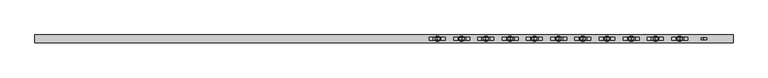
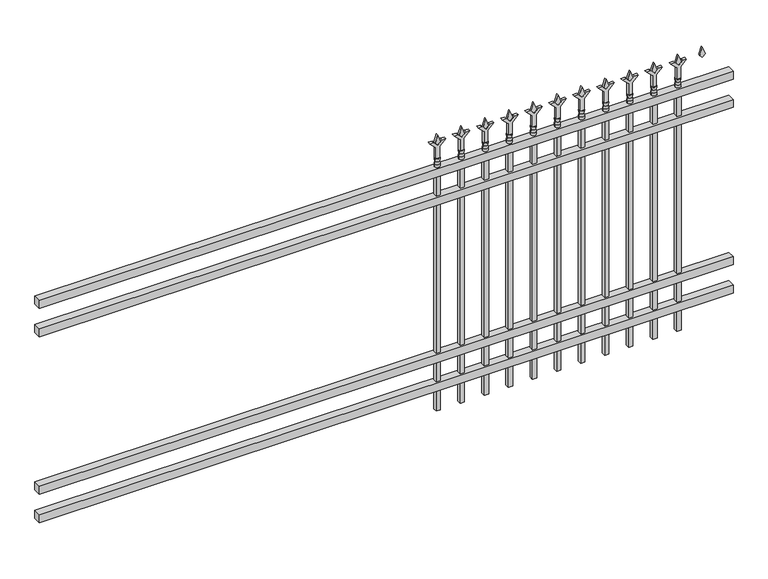
"""IFC4 building model written with IfcOpenShell, lengths in millimetres: railing geometry."""

from ifc_helpers import new_model, si_unit, frame, origin, place, context, project, spatial, polyline, circle_curve, outline, extrude, source, transform, mapped, element, save
from ifc_brep_helpers import plane_surface, cylinder_surface, revolved_surface, advanced_brep


def railing_fa873ef2(model_context):
    return source(origin(), model_context, "Body", "SolidModel", [
        extrude(outline(polyline([(-73537.318087, -6748.7195174), (-73537.318087, -6713.7945174), (-70387.718087, -6713.7945174), (-70387.718087, -6748.7195174), (-73537.318087, -6748.7195174)])), frame((0.0, 0.0, 1181.1), z_axis=(0.0, 0.0, 1.0), x_axis=(1.0, 0.0, 0.0)), (0.0, 0.0, 1.0), 38.1),
        extrude(outline(polyline([(-73537.318087, -6748.7195174), (-73537.318087, -6713.7945174), (-70387.718087, -6713.7945174), (-70387.718087, -6748.7195174), (-73537.318087, -6748.7195174)])), frame((0.0, 0.0, 1044.575), z_axis=(0.0, 0.0, 1.0), x_axis=(1.0, 0.0, 0.0)), (0.0, 0.0, 1.0), 38.1),
        extrude(outline(polyline([(-73537.318087, -6748.7195174), (-73537.318087, -6713.7945174), (-70387.718087, -6713.7945174), (-70387.718087, -6748.7195174), (-73537.318087, -6748.7195174)])), frame((0.0, 0.0, 288.925), z_axis=(0.0, 0.0, 1.0), x_axis=(1.0, 0.0, 0.0)), (0.0, 0.0, 1.0), 38.1),
        extrude(outline(polyline([(-73537.318087, -6748.7195174), (-73537.318087, -6713.7945174), (-70387.718087, -6713.7945174), (-70387.718087, -6748.7195174), (-73537.318087, -6748.7195174)])), frame((0.0, 0.0, 152.4), z_axis=(0.0, 0.0, 1.0), x_axis=(1.0, 0.0, 0.0)), (0.0, 0.0, 1.0), 38.1),
        extrude(outline(polyline([(1335.88125, -70616.8472536), (1371.6, -70628.7535036), (1335.88125, -70640.6597536), (1323.975, -70628.7535036), (1335.88125, -70616.8472536)])), frame((0.0, -6736.0195174, 0.0), z_axis=(0.0, 1.0, 0.0), x_axis=(0.0, 0.0, 1.0)), (0.0, 0.0, 1.0), 9.525),
        extrude(outline(polyline([(1260.475, -70620.0222536), (1314.7457378, -70620.0222536), (1341.9355122, -70592.8324791), (1341.9355122, -70610.7929914), (1323.975, -70628.7535036), (1341.9355122, -70646.7140159), (1341.9355122, -70664.6745281), (1314.7457378, -70637.4847536), (1260.475, -70637.4847536), (1260.475, -70620.0222536)])), frame((0.0, -6737.6070174, 0.0), z_axis=(0.0, 1.0, 0.0), x_axis=(0.0, 0.0, 1.0)), (0.0, 0.0, 1.0), 12.7),
        advanced_brep(
        [(-70616.8472536, -6731.2570174, 1231.9), (-70640.6597536, -6731.2570174, 1231.9), (-70640.6597536, -6731.2570174, 1219.2), (-70616.8472536, -6731.2570174, 1219.2), (-70619.0525855, -6731.2570174, 1244.4070585), (-70638.4544218, -6731.2570174, 1244.4070585), (-70616.8472536, -6731.2570174, 1260.475), (-70640.6597536, -6731.2570174, 1260.475), (-70628.7535036, -6731.2570174, 1260.475), (-70628.7535036, -6731.2570174, 1219.2)],
        [
            (0, 1, circle_curve(frame((-70628.7535036, -6731.2570174, 1231.9), z_axis=(0.0, 0.0, -1.0), x_axis=(-1.0, 0.0, 0.0)), 11.90625)),
            (1, 2),
            (2, 3, circle_curve(frame((-70628.7535036, -6731.2570174, 1219.2), z_axis=(0.0, 0.0, 1.0), x_axis=(-1.0, 0.0, 0.0)), 11.90625)),
            (3, 0),
            (1, 0, circle_curve(frame((-70628.7535036, -6731.2570174, 1231.9), z_axis=(0.0, 0.0, -1.0), x_axis=(-1.0, 0.0, 0.0)), 11.90625)),
            (3, 2, circle_curve(frame((-70628.7535036, -6731.2570174, 1219.2), z_axis=(0.0, 0.0, 1.0), x_axis=(-1.0, 0.0, 0.0)), 11.90625)),
            (4, 5, circle_curve(frame((-70628.7535036, -6731.2570174, 1244.4070585), z_axis=(0.0, 0.0, -1.0), x_axis=(-1.0, 0.0, 0.0)), 9.7009181)),
            (5, 1),
            (0, 4),
            (5, 4, circle_curve(frame((-70628.7535036, -6731.2570174, 1244.4070585), z_axis=(0.0, 0.0, -1.0), x_axis=(-1.0, 0.0, 0.0)), 9.7009181)),
            (6, 7, circle_curve(frame((-70628.7535036, -6731.2570174, 1260.475), z_axis=(0.0, 0.0, -1.0), x_axis=(-1.0, 0.0, 0.0)), 11.90625)),
            (7, 5),
            (4, 6),
            (7, 6, circle_curve(frame((-70628.7535036, -6731.2570174, 1260.475), z_axis=(0.0, 0.0, -1.0), x_axis=(-1.0, 0.0, 0.0)), 11.90625)),
            (8, 7),
            (6, 8),
            (2, 9),
            (9, 3),
        ],
        [
            cylinder_surface(frame((-70628.7535036, -6731.2570174, 1219.2), z_axis=(0.0, 0.0, 1.0), x_axis=(-1.0, 0.0, 0.0)), 11.90625),
            revolved_surface(polyline([(-70640.6597536, -6731.2570174, 1231.9), (-70638.4544218, -6731.2570174, 1244.4070585)]), (-70628.7535036, -6731.2570174, 1219.2), (0.0, 0.0, 1.0)),
            revolved_surface(polyline([(-70638.4544218, -6731.2570174, 1244.4070585), (-70640.6597536, -6731.2570174, 1260.475)]), (-70628.7535036, -6731.2570174, 1219.2), (0.0, 0.0, 1.0)),
            plane_surface(frame((-70628.7535036, -6731.2570174, 1260.475), z_axis=(0.0, 0.0, 1.0), x_axis=(-1.0, 0.0, 0.0))),
            plane_surface(frame((-70628.7535036, -6731.2570174, 1219.2), z_axis=(0.0, 0.0, -1.0), x_axis=(-1.0, 0.0, 0.0))),
        ],
        [
            (0, [[1, 2, 3, 4]]),
            (0, [[5, -4, 6, -2]]),
            (1, [[7, 8, -1, 9]]),
            (1, [[10, -9, -5, -8]]),
            (2, [[11, 12, -7, 13]]),
            (2, [[14, -13, -10, -12]]),
            (3, [[15, -11, 16]]),
            (3, [[-16, -14, -15]]),
            (4, [[-3, 17, 18]]),
            (4, [[-6, -18, -17]]),
        ],
    ),
        extrude(outline(polyline([(-70638.2785036, -6721.7320174), (-70619.2285036, -6721.7320174), (-70619.2285036, -6740.7820174), (-70638.2785036, -6740.7820174), (-70638.2785036, -6721.7320174)])), frame((0.0, 0.0, 50.8), z_axis=(0.0, 0.0, 1.0), x_axis=(1.0, 0.0, 0.0)), (0.0, 0.0, 1.0), 1168.4),
        extrude(outline(polyline([(1335.88125, -70726.1201703), (1371.6, -70738.0264203), (1335.88125, -70749.9326703), (1323.975, -70738.0264203), (1335.88125, -70726.1201703)])), frame((0.0, -6736.0195174, 0.0), z_axis=(0.0, 1.0, 0.0), x_axis=(0.0, 0.0, 1.0)), (0.0, 0.0, 1.0), 9.525),
        extrude(outline(polyline([(1260.475, -70729.2951703), (1314.7457378, -70729.2951703), (1341.9355122, -70702.1053958), (1341.9355122, -70720.0659081), (1323.975, -70738.0264203), (1341.9355122, -70755.9869325), (1341.9355122, -70773.9474448), (1314.7457378, -70746.7576703), (1260.475, -70746.7576703), (1260.475, -70729.2951703)])), frame((0.0, -6737.6070174, 0.0), z_axis=(0.0, 1.0, 0.0), x_axis=(0.0, 0.0, 1.0)), (0.0, 0.0, 1.0), 12.7),
        advanced_brep(
        [(-70726.1201703, -6731.2570174, 1231.9), (-70749.9326703, -6731.2570174, 1231.9), (-70749.9326703, -6731.2570174, 1219.2), (-70726.1201703, -6731.2570174, 1219.2), (-70728.3255022, -6731.2570174, 1244.4070585), (-70747.7273384, -6731.2570174, 1244.4070585), (-70726.1201703, -6731.2570174, 1260.475), (-70749.9326703, -6731.2570174, 1260.475), (-70738.0264203, -6731.2570174, 1260.475), (-70738.0264203, -6731.2570174, 1219.2)],
        [
            (0, 1, circle_curve(frame((-70738.0264203, -6731.2570174, 1231.9), z_axis=(0.0, 0.0, -1.0), x_axis=(-1.0, 0.0, 0.0)), 11.90625)),
            (1, 2),
            (2, 3, circle_curve(frame((-70738.0264203, -6731.2570174, 1219.2), z_axis=(0.0, 0.0, 1.0), x_axis=(-1.0, 0.0, 0.0)), 11.90625)),
            (3, 0),
            (1, 0, circle_curve(frame((-70738.0264203, -6731.2570174, 1231.9), z_axis=(0.0, 0.0, -1.0), x_axis=(-1.0, 0.0, 0.0)), 11.90625)),
            (3, 2, circle_curve(frame((-70738.0264203, -6731.2570174, 1219.2), z_axis=(0.0, 0.0, 1.0), x_axis=(-1.0, 0.0, 0.0)), 11.90625)),
            (4, 5, circle_curve(frame((-70738.0264203, -6731.2570174, 1244.4070585), z_axis=(0.0, 0.0, -1.0), x_axis=(-1.0, 0.0, 0.0)), 9.7009181)),
            (5, 1),
            (0, 4),
            (5, 4, circle_curve(frame((-70738.0264203, -6731.2570174, 1244.4070585), z_axis=(0.0, 0.0, -1.0), x_axis=(-1.0, 0.0, 0.0)), 9.7009181)),
            (6, 7, circle_curve(frame((-70738.0264203, -6731.2570174, 1260.475), z_axis=(0.0, 0.0, -1.0), x_axis=(-1.0, 0.0, 0.0)), 11.90625)),
            (7, 5),
            (4, 6),
            (7, 6, circle_curve(frame((-70738.0264203, -6731.2570174, 1260.475), z_axis=(0.0, 0.0, -1.0), x_axis=(-1.0, 0.0, 0.0)), 11.90625)),
            (8, 7),
            (6, 8),
            (2, 9),
            (9, 3),
        ],
        [
            cylinder_surface(frame((-70738.0264203, -6731.2570174, 1219.2), z_axis=(0.0, 0.0, 1.0), x_axis=(-1.0, 0.0, 0.0)), 11.90625),
            revolved_surface(polyline([(-70749.9326703, -6731.2570174, 1231.9), (-70747.7273384, -6731.2570174, 1244.4070585)]), (-70738.0264203, -6731.2570174, 1219.2), (0.0, 0.0, 1.0)),
            revolved_surface(polyline([(-70747.7273384, -6731.2570174, 1244.4070585), (-70749.9326703, -6731.2570174, 1260.475)]), (-70738.0264203, -6731.2570174, 1219.2), (0.0, 0.0, 1.0)),
            plane_surface(frame((-70738.0264203, -6731.2570174, 1260.475), z_axis=(0.0, 0.0, 1.0), x_axis=(-1.0, 0.0, 0.0))),
            plane_surface(frame((-70738.0264203, -6731.2570174, 1219.2), z_axis=(0.0, 0.0, -1.0), x_axis=(-1.0, 0.0, 0.0))),
        ],
        [
            (0, [[1, 2, 3, 4]]),
            (0, [[5, -4, 6, -2]]),
            (1, [[7, 8, -1, 9]]),
            (1, [[10, -9, -5, -8]]),
            (2, [[11, 12, -7, 13]]),
            (2, [[14, -13, -10, -12]]),
            (3, [[15, -11, 16]]),
            (3, [[-16, -14, -15]]),
            (4, [[-3, 17, 18]]),
            (4, [[-6, -18, -17]]),
        ],
    ),
        extrude(outline(polyline([(-70747.5514203, -6721.7320174), (-70728.5014203, -6721.7320174), (-70728.5014203, -6740.7820174), (-70747.5514203, -6740.7820174), (-70747.5514203, -6721.7320174)])), frame((0.0, 0.0, 50.8), z_axis=(0.0, 0.0, 1.0), x_axis=(1.0, 0.0, 0.0)), (0.0, 0.0, 1.0), 1168.4),
        extrude(outline(polyline([(1335.88125, -70835.393087), (1371.6, -70847.299337), (1335.88125, -70859.205587), (1323.975, -70847.299337), (1335.88125, -70835.393087)])), frame((0.0, -6736.0195174, 0.0), z_axis=(0.0, 1.0, 0.0), x_axis=(0.0, 0.0, 1.0)), (0.0, 0.0, 1.0), 9.525),
        extrude(outline(polyline([(1260.475, -70838.568087), (1314.7457378, -70838.568087), (1341.9355122, -70811.3783125), (1341.9355122, -70829.3388247), (1323.975, -70847.299337), (1341.9355122, -70865.2598492), (1341.9355122, -70883.2203614), (1314.7457378, -70856.030587), (1260.475, -70856.030587), (1260.475, -70838.568087)])), frame((0.0, -6737.6070174, 0.0), z_axis=(0.0, 1.0, 0.0), x_axis=(0.0, 0.0, 1.0)), (0.0, 0.0, 1.0), 12.7),
        advanced_brep(
        [(-70835.393087, -6731.2570174, 1231.9), (-70859.205587, -6731.2570174, 1231.9), (-70859.205587, -6731.2570174, 1219.2), (-70835.393087, -6731.2570174, 1219.2), (-70837.5984188, -6731.2570174, 1244.4070585), (-70857.0002551, -6731.2570174, 1244.4070585), (-70835.393087, -6731.2570174, 1260.475), (-70859.205587, -6731.2570174, 1260.475), (-70847.299337, -6731.2570174, 1260.475), (-70847.299337, -6731.2570174, 1219.2)],
        [
            (0, 1, circle_curve(frame((-70847.299337, -6731.2570174, 1231.9), z_axis=(0.0, 0.0, -1.0), x_axis=(-1.0, 0.0, 0.0)), 11.90625)),
            (1, 2),
            (2, 3, circle_curve(frame((-70847.299337, -6731.2570174, 1219.2), z_axis=(0.0, 0.0, 1.0), x_axis=(-1.0, 0.0, 0.0)), 11.90625)),
            (3, 0),
            (1, 0, circle_curve(frame((-70847.299337, -6731.2570174, 1231.9), z_axis=(0.0, 0.0, -1.0), x_axis=(-1.0, 0.0, 0.0)), 11.90625)),
            (3, 2, circle_curve(frame((-70847.299337, -6731.2570174, 1219.2), z_axis=(0.0, 0.0, 1.0), x_axis=(-1.0, 0.0, 0.0)), 11.90625)),
            (4, 5, circle_curve(frame((-70847.299337, -6731.2570174, 1244.4070585), z_axis=(0.0, 0.0, -1.0), x_axis=(-1.0, 0.0, 0.0)), 9.7009181)),
            (5, 1),
            (0, 4),
            (5, 4, circle_curve(frame((-70847.299337, -6731.2570174, 1244.4070585), z_axis=(0.0, 0.0, -1.0), x_axis=(-1.0, 0.0, 0.0)), 9.7009181)),
            (6, 7, circle_curve(frame((-70847.299337, -6731.2570174, 1260.475), z_axis=(0.0, 0.0, -1.0), x_axis=(-1.0, 0.0, 0.0)), 11.90625)),
            (7, 5),
            (4, 6),
            (7, 6, circle_curve(frame((-70847.299337, -6731.2570174, 1260.475), z_axis=(0.0, 0.0, -1.0), x_axis=(-1.0, 0.0, 0.0)), 11.90625)),
            (8, 7),
            (6, 8),
            (2, 9),
            (9, 3),
        ],
        [
            cylinder_surface(frame((-70847.299337, -6731.2570174, 1219.2), z_axis=(0.0, 0.0, 1.0), x_axis=(-1.0, 0.0, 0.0)), 11.90625),
            revolved_surface(polyline([(-70859.205587, -6731.2570174, 1231.9), (-70857.0002551, -6731.2570174, 1244.4070585)]), (-70847.299337, -6731.2570174, 1219.2), (0.0, 0.0, 1.0)),
            revolved_surface(polyline([(-70857.0002551, -6731.2570174, 1244.4070585), (-70859.205587, -6731.2570174, 1260.475)]), (-70847.299337, -6731.2570174, 1219.2), (0.0, 0.0, 1.0)),
            plane_surface(frame((-70847.299337, -6731.2570174, 1260.475), z_axis=(0.0, 0.0, 1.0), x_axis=(-1.0, 0.0, 0.0))),
            plane_surface(frame((-70847.299337, -6731.2570174, 1219.2), z_axis=(0.0, 0.0, -1.0), x_axis=(-1.0, 0.0, 0.0))),
        ],
        [
            (0, [[1, 2, 3, 4]]),
            (0, [[5, -4, 6, -2]]),
            (1, [[7, 8, -1, 9]]),
            (1, [[10, -9, -5, -8]]),
            (2, [[11, 12, -7, 13]]),
            (2, [[14, -13, -10, -12]]),
            (3, [[15, -11, 16]]),
            (3, [[-16, -14, -15]]),
            (4, [[-3, 17, 18]]),
            (4, [[-6, -18, -17]]),
        ],
    ),
        extrude(outline(polyline([(-70856.824337, -6721.7320174), (-70837.774337, -6721.7320174), (-70837.774337, -6740.7820174), (-70856.824337, -6740.7820174), (-70856.824337, -6721.7320174)])), frame((0.0, 0.0, 50.8), z_axis=(0.0, 0.0, 1.0), x_axis=(1.0, 0.0, 0.0)), (0.0, 0.0, 1.0), 1168.4),
        extrude(outline(polyline([(1335.88125, -70944.6660036), (1371.6, -70956.5722536), (1335.88125, -70968.4785036), (1323.975, -70956.5722536), (1335.88125, -70944.6660036)])), frame((0.0, -6736.0195174, 0.0), z_axis=(0.0, 1.0, 0.0), x_axis=(0.0, 0.0, 1.0)), (0.0, 0.0, 1.0), 9.525),
        extrude(outline(polyline([(1260.475, -70947.8410036), (1314.7457378, -70947.8410036), (1341.9355122, -70920.6512291), (1341.9355122, -70938.6117414), (1323.975, -70956.5722536), (1341.9355122, -70974.5327659), (1341.9355122, -70992.4932781), (1314.7457378, -70965.3035036), (1260.475, -70965.3035036), (1260.475, -70947.8410036)])), frame((0.0, -6737.6070174, 0.0), z_axis=(0.0, 1.0, 0.0), x_axis=(0.0, 0.0, 1.0)), (0.0, 0.0, 1.0), 12.7),
        advanced_brep(
        [(-70944.6660036, -6731.2570174, 1231.9), (-70968.4785036, -6731.2570174, 1231.9), (-70968.4785036, -6731.2570174, 1219.2), (-70944.6660036, -6731.2570174, 1219.2), (-70946.8713355, -6731.2570174, 1244.4070585), (-70966.2731718, -6731.2570174, 1244.4070585), (-70944.6660036, -6731.2570174, 1260.475), (-70968.4785036, -6731.2570174, 1260.475), (-70956.5722536, -6731.2570174, 1260.475), (-70956.5722536, -6731.2570174, 1219.2)],
        [
            (0, 1, circle_curve(frame((-70956.5722536, -6731.2570174, 1231.9), z_axis=(0.0, 0.0, -1.0), x_axis=(-1.0, 0.0, 0.0)), 11.90625)),
            (1, 2),
            (2, 3, circle_curve(frame((-70956.5722536, -6731.2570174, 1219.2), z_axis=(0.0, 0.0, 1.0), x_axis=(-1.0, 0.0, 0.0)), 11.90625)),
            (3, 0),
            (1, 0, circle_curve(frame((-70956.5722536, -6731.2570174, 1231.9), z_axis=(0.0, 0.0, -1.0), x_axis=(-1.0, 0.0, 0.0)), 11.90625)),
            (3, 2, circle_curve(frame((-70956.5722536, -6731.2570174, 1219.2), z_axis=(0.0, 0.0, 1.0), x_axis=(-1.0, 0.0, 0.0)), 11.90625)),
            (4, 5, circle_curve(frame((-70956.5722536, -6731.2570174, 1244.4070585), z_axis=(0.0, 0.0, -1.0), x_axis=(-1.0, 0.0, 0.0)), 9.7009181)),
            (5, 1),
            (0, 4),
            (5, 4, circle_curve(frame((-70956.5722536, -6731.2570174, 1244.4070585), z_axis=(0.0, 0.0, -1.0), x_axis=(-1.0, 0.0, 0.0)), 9.7009181)),
            (6, 7, circle_curve(frame((-70956.5722536, -6731.2570174, 1260.475), z_axis=(0.0, 0.0, -1.0), x_axis=(-1.0, 0.0, 0.0)), 11.90625)),
            (7, 5),
            (4, 6),
            (7, 6, circle_curve(frame((-70956.5722536, -6731.2570174, 1260.475), z_axis=(0.0, 0.0, -1.0), x_axis=(-1.0, 0.0, 0.0)), 11.90625)),
            (8, 7),
            (6, 8),
            (2, 9),
            (9, 3),
        ],
        [
            cylinder_surface(frame((-70956.5722536, -6731.2570174, 1219.2), z_axis=(0.0, 0.0, 1.0), x_axis=(-1.0, 0.0, 0.0)), 11.90625),
            revolved_surface(polyline([(-70968.4785036, -6731.2570174, 1231.9), (-70966.2731718, -6731.2570174, 1244.4070585)]), (-70956.5722536, -6731.2570174, 1219.2), (0.0, 0.0, 1.0)),
            revolved_surface(polyline([(-70966.2731718, -6731.2570174, 1244.4070585), (-70968.4785036, -6731.2570174, 1260.475)]), (-70956.5722536, -6731.2570174, 1219.2), (0.0, 0.0, 1.0)),
            plane_surface(frame((-70956.5722536, -6731.2570174, 1260.475), z_axis=(0.0, 0.0, 1.0), x_axis=(-1.0, 0.0, 0.0))),
            plane_surface(frame((-70956.5722536, -6731.2570174, 1219.2), z_axis=(0.0, 0.0, -1.0), x_axis=(-1.0, 0.0, 0.0))),
        ],
        [
            (0, [[1, 2, 3, 4]]),
            (0, [[5, -4, 6, -2]]),
            (1, [[7, 8, -1, 9]]),
            (1, [[10, -9, -5, -8]]),
            (2, [[11, 12, -7, 13]]),
            (2, [[14, -13, -10, -12]]),
            (3, [[15, -11, 16]]),
            (3, [[-16, -14, -15]]),
            (4, [[-3, 17, 18]]),
            (4, [[-6, -18, -17]]),
        ],
    ),
        extrude(outline(polyline([(-70966.0972536, -6721.7320174), (-70947.0472536, -6721.7320174), (-70947.0472536, -6740.7820174), (-70966.0972536, -6740.7820174), (-70966.0972536, -6721.7320174)])), frame((0.0, 0.0, 50.8), z_axis=(0.0, 0.0, 1.0), x_axis=(1.0, 0.0, 0.0)), (0.0, 0.0, 1.0), 1168.4),
        extrude(outline(polyline([(1335.88125, -71053.9389203), (1371.6, -71065.8451703), (1335.88125, -71077.7514203), (1323.975, -71065.8451703), (1335.88125, -71053.9389203)])), frame((0.0, -6736.0195174, 0.0), z_axis=(0.0, 1.0, 0.0), x_axis=(0.0, 0.0, 1.0)), (0.0, 0.0, 1.0), 9.525),
        extrude(outline(polyline([(1260.475, -71057.1139203), (1314.7457378, -71057.1139203), (1341.9355122, -71029.9241458), (1341.9355122, -71047.8846581), (1323.975, -71065.8451703), (1341.9355122, -71083.8056825), (1341.9355122, -71101.7661948), (1314.7457378, -71074.5764203), (1260.475, -71074.5764203), (1260.475, -71057.1139203)])), frame((0.0, -6737.6070174, 0.0), z_axis=(0.0, 1.0, 0.0), x_axis=(0.0, 0.0, 1.0)), (0.0, 0.0, 1.0), 12.7),
        advanced_brep(
        [(-71053.9389203, -6731.2570174, 1231.9), (-71077.7514203, -6731.2570174, 1231.9), (-71077.7514203, -6731.2570174, 1219.2), (-71053.9389203, -6731.2570174, 1219.2), (-71056.1442522, -6731.2570174, 1244.4070585), (-71075.5460884, -6731.2570174, 1244.4070585), (-71053.9389203, -6731.2570174, 1260.475), (-71077.7514203, -6731.2570174, 1260.475), (-71065.8451703, -6731.2570174, 1260.475), (-71065.8451703, -6731.2570174, 1219.2)],
        [
            (0, 1, circle_curve(frame((-71065.8451703, -6731.2570174, 1231.9), z_axis=(0.0, 0.0, -1.0), x_axis=(-1.0, 0.0, 0.0)), 11.90625)),
            (1, 2),
            (2, 3, circle_curve(frame((-71065.8451703, -6731.2570174, 1219.2), z_axis=(0.0, 0.0, 1.0), x_axis=(-1.0, 0.0, 0.0)), 11.90625)),
            (3, 0),
            (1, 0, circle_curve(frame((-71065.8451703, -6731.2570174, 1231.9), z_axis=(0.0, 0.0, -1.0), x_axis=(-1.0, 0.0, 0.0)), 11.90625)),
            (3, 2, circle_curve(frame((-71065.8451703, -6731.2570174, 1219.2), z_axis=(0.0, 0.0, 1.0), x_axis=(-1.0, 0.0, 0.0)), 11.90625)),
            (4, 5, circle_curve(frame((-71065.8451703, -6731.2570174, 1244.4070585), z_axis=(0.0, 0.0, -1.0), x_axis=(-1.0, 0.0, 0.0)), 9.7009181)),
            (5, 1),
            (0, 4),
            (5, 4, circle_curve(frame((-71065.8451703, -6731.2570174, 1244.4070585), z_axis=(0.0, 0.0, -1.0), x_axis=(-1.0, 0.0, 0.0)), 9.7009181)),
            (6, 7, circle_curve(frame((-71065.8451703, -6731.2570174, 1260.475), z_axis=(0.0, 0.0, -1.0), x_axis=(-1.0, 0.0, 0.0)), 11.90625)),
            (7, 5),
            (4, 6),
            (7, 6, circle_curve(frame((-71065.8451703, -6731.2570174, 1260.475), z_axis=(0.0, 0.0, -1.0), x_axis=(-1.0, 0.0, 0.0)), 11.90625)),
            (8, 7),
            (6, 8),
            (2, 9),
            (9, 3),
        ],
        [
            cylinder_surface(frame((-71065.8451703, -6731.2570174, 1219.2), z_axis=(0.0, 0.0, 1.0), x_axis=(-1.0, 0.0, 0.0)), 11.90625),
            revolved_surface(polyline([(-71077.7514203, -6731.2570174, 1231.9), (-71075.5460884, -6731.2570174, 1244.4070585)]), (-71065.8451703, -6731.2570174, 1219.2), (0.0, 0.0, 1.0)),
            revolved_surface(polyline([(-71075.5460884, -6731.2570174, 1244.4070585), (-71077.7514203, -6731.2570174, 1260.475)]), (-71065.8451703, -6731.2570174, 1219.2), (0.0, 0.0, 1.0)),
            plane_surface(frame((-71065.8451703, -6731.2570174, 1260.475), z_axis=(0.0, 0.0, 1.0), x_axis=(-1.0, 0.0, 0.0))),
            plane_surface(frame((-71065.8451703, -6731.2570174, 1219.2), z_axis=(0.0, 0.0, -1.0), x_axis=(-1.0, 0.0, 0.0))),
        ],
        [
            (0, [[1, 2, 3, 4]]),
            (0, [[5, -4, 6, -2]]),
            (1, [[7, 8, -1, 9]]),
            (1, [[10, -9, -5, -8]]),
            (2, [[11, 12, -7, 13]]),
            (2, [[14, -13, -10, -12]]),
            (3, [[15, -11, 16]]),
            (3, [[-16, -14, -15]]),
            (4, [[-3, 17, 18]]),
            (4, [[-6, -18, -17]]),
        ],
    ),
        extrude(outline(polyline([(-71075.3701703, -6721.7320174), (-71056.3201703, -6721.7320174), (-71056.3201703, -6740.7820174), (-71075.3701703, -6740.7820174), (-71075.3701703, -6721.7320174)])), frame((0.0, 0.0, 50.8), z_axis=(0.0, 0.0, 1.0), x_axis=(1.0, 0.0, 0.0)), (0.0, 0.0, 1.0), 1168.4),
        extrude(outline(polyline([(1335.88125, -71163.211837), (1371.6, -71175.118087), (1335.88125, -71187.024337), (1323.975, -71175.118087), (1335.88125, -71163.211837)])), frame((0.0, -6736.0195174, 0.0), z_axis=(0.0, 1.0, 0.0), x_axis=(0.0, 0.0, 1.0)), (0.0, 0.0, 1.0), 9.525),
        extrude(outline(polyline([(1260.475, -71166.386837), (1314.7457378, -71166.386837), (1341.9355122, -71139.1970625), (1341.9355122, -71157.1575747), (1323.975, -71175.118087), (1341.9355122, -71193.0785992), (1341.9355122, -71211.0391114), (1314.7457378, -71183.849337), (1260.475, -71183.849337), (1260.475, -71166.386837)])), frame((0.0, -6737.6070174, 0.0), z_axis=(0.0, 1.0, 0.0), x_axis=(0.0, 0.0, 1.0)), (0.0, 0.0, 1.0), 12.7),
        advanced_brep(
        [(-71163.211837, -6731.2570174, 1231.9), (-71187.024337, -6731.2570174, 1231.9), (-71187.024337, -6731.2570174, 1219.2), (-71163.211837, -6731.2570174, 1219.2), (-71165.4171688, -6731.2570174, 1244.4070585), (-71184.8190051, -6731.2570174, 1244.4070585), (-71163.211837, -6731.2570174, 1260.475), (-71187.024337, -6731.2570174, 1260.475), (-71175.118087, -6731.2570174, 1260.475), (-71175.118087, -6731.2570174, 1219.2)],
        [
            (0, 1, circle_curve(frame((-71175.118087, -6731.2570174, 1231.9), z_axis=(0.0, 0.0, -1.0), x_axis=(-1.0, 0.0, 0.0)), 11.90625)),
            (1, 2),
            (2, 3, circle_curve(frame((-71175.118087, -6731.2570174, 1219.2), z_axis=(0.0, 0.0, 1.0), x_axis=(-1.0, 0.0, 0.0)), 11.90625)),
            (3, 0),
            (1, 0, circle_curve(frame((-71175.118087, -6731.2570174, 1231.9), z_axis=(0.0, 0.0, -1.0), x_axis=(-1.0, 0.0, 0.0)), 11.90625)),
            (3, 2, circle_curve(frame((-71175.118087, -6731.2570174, 1219.2), z_axis=(0.0, 0.0, 1.0), x_axis=(-1.0, 0.0, 0.0)), 11.90625)),
            (4, 5, circle_curve(frame((-71175.118087, -6731.2570174, 1244.4070585), z_axis=(0.0, 0.0, -1.0), x_axis=(-1.0, 0.0, 0.0)), 9.7009181)),
            (5, 1),
            (0, 4),
            (5, 4, circle_curve(frame((-71175.118087, -6731.2570174, 1244.4070585), z_axis=(0.0, 0.0, -1.0), x_axis=(-1.0, 0.0, 0.0)), 9.7009181)),
            (6, 7, circle_curve(frame((-71175.118087, -6731.2570174, 1260.475), z_axis=(0.0, 0.0, -1.0), x_axis=(-1.0, 0.0, 0.0)), 11.90625)),
            (7, 5),
            (4, 6),
            (7, 6, circle_curve(frame((-71175.118087, -6731.2570174, 1260.475), z_axis=(0.0, 0.0, -1.0), x_axis=(-1.0, 0.0, 0.0)), 11.90625)),
            (8, 7),
            (6, 8),
            (2, 9),
            (9, 3),
        ],
        [
            cylinder_surface(frame((-71175.118087, -6731.2570174, 1219.2), z_axis=(0.0, 0.0, 1.0), x_axis=(-1.0, 0.0, 0.0)), 11.90625),
            revolved_surface(polyline([(-71187.024337, -6731.2570174, 1231.9), (-71184.8190051, -6731.2570174, 1244.4070585)]), (-71175.118087, -6731.2570174, 1219.2), (0.0, 0.0, 1.0)),
            revolved_surface(polyline([(-71184.8190051, -6731.2570174, 1244.4070585), (-71187.024337, -6731.2570174, 1260.475)]), (-71175.118087, -6731.2570174, 1219.2), (0.0, 0.0, 1.0)),
            plane_surface(frame((-71175.118087, -6731.2570174, 1260.475), z_axis=(0.0, 0.0, 1.0), x_axis=(-1.0, 0.0, 0.0))),
            plane_surface(frame((-71175.118087, -6731.2570174, 1219.2), z_axis=(0.0, 0.0, -1.0), x_axis=(-1.0, 0.0, 0.0))),
        ],
        [
            (0, [[1, 2, 3, 4]]),
            (0, [[5, -4, 6, -2]]),
            (1, [[7, 8, -1, 9]]),
            (1, [[10, -9, -5, -8]]),
            (2, [[11, 12, -7, 13]]),
            (2, [[14, -13, -10, -12]]),
            (3, [[15, -11, 16]]),
            (3, [[-16, -14, -15]]),
            (4, [[-3, 17, 18]]),
            (4, [[-6, -18, -17]]),
        ],
    ),
        extrude(outline(polyline([(-71184.643087, -6721.7320174), (-71165.593087, -6721.7320174), (-71165.593087, -6740.7820174), (-71184.643087, -6740.7820174), (-71184.643087, -6721.7320174)])), frame((0.0, 0.0, 50.8), z_axis=(0.0, 0.0, 1.0), x_axis=(1.0, 0.0, 0.0)), (0.0, 0.0, 1.0), 1168.4),
        extrude(outline(polyline([(1335.88125, -71272.4847536), (1371.6, -71284.3910036), (1335.88125, -71296.2972536), (1323.975, -71284.3910036), (1335.88125, -71272.4847536)])), frame((0.0, -6736.0195174, 0.0), z_axis=(0.0, 1.0, 0.0), x_axis=(0.0, 0.0, 1.0)), (0.0, 0.0, 1.0), 9.525),
        extrude(outline(polyline([(1260.475, -71275.6597536), (1314.7457378, -71275.6597536), (1341.9355122, -71248.4699791), (1341.9355122, -71266.4304914), (1323.975, -71284.3910036), (1341.9355122, -71302.3515159), (1341.9355122, -71320.3120281), (1314.7457378, -71293.1222536), (1260.475, -71293.1222536), (1260.475, -71275.6597536)])), frame((0.0, -6737.6070174, 0.0), z_axis=(0.0, 1.0, 0.0), x_axis=(0.0, 0.0, 1.0)), (0.0, 0.0, 1.0), 12.7),
        advanced_brep(
        [(-71272.4847536, -6731.2570174, 1231.9), (-71296.2972536, -6731.2570174, 1231.9), (-71296.2972536, -6731.2570174, 1219.2), (-71272.4847536, -6731.2570174, 1219.2), (-71274.6900855, -6731.2570174, 1244.4070585), (-71294.0919218, -6731.2570174, 1244.4070585), (-71272.4847536, -6731.2570174, 1260.475), (-71296.2972536, -6731.2570174, 1260.475), (-71284.3910036, -6731.2570174, 1260.475), (-71284.3910036, -6731.2570174, 1219.2)],
        [
            (0, 1, circle_curve(frame((-71284.3910036, -6731.2570174, 1231.9), z_axis=(0.0, 0.0, -1.0), x_axis=(-1.0, 0.0, 0.0)), 11.90625)),
            (1, 2),
            (2, 3, circle_curve(frame((-71284.3910036, -6731.2570174, 1219.2), z_axis=(0.0, 0.0, 1.0), x_axis=(-1.0, 0.0, 0.0)), 11.90625)),
            (3, 0),
            (1, 0, circle_curve(frame((-71284.3910036, -6731.2570174, 1231.9), z_axis=(0.0, 0.0, -1.0), x_axis=(-1.0, 0.0, 0.0)), 11.90625)),
            (3, 2, circle_curve(frame((-71284.3910036, -6731.2570174, 1219.2), z_axis=(0.0, 0.0, 1.0), x_axis=(-1.0, 0.0, 0.0)), 11.90625)),
            (4, 5, circle_curve(frame((-71284.3910036, -6731.2570174, 1244.4070585), z_axis=(0.0, 0.0, -1.0), x_axis=(-1.0, 0.0, 0.0)), 9.7009181)),
            (5, 1),
            (0, 4),
            (5, 4, circle_curve(frame((-71284.3910036, -6731.2570174, 1244.4070585), z_axis=(0.0, 0.0, -1.0), x_axis=(-1.0, 0.0, 0.0)), 9.7009181)),
            (6, 7, circle_curve(frame((-71284.3910036, -6731.2570174, 1260.475), z_axis=(0.0, 0.0, -1.0), x_axis=(-1.0, 0.0, 0.0)), 11.90625)),
            (7, 5),
            (4, 6),
            (7, 6, circle_curve(frame((-71284.3910036, -6731.2570174, 1260.475), z_axis=(0.0, 0.0, -1.0), x_axis=(-1.0, 0.0, 0.0)), 11.90625)),
            (8, 7),
            (6, 8),
            (2, 9),
            (9, 3),
        ],
        [
            cylinder_surface(frame((-71284.3910036, -6731.2570174, 1219.2), z_axis=(0.0, 0.0, 1.0), x_axis=(-1.0, 0.0, 0.0)), 11.90625),
            revolved_surface(polyline([(-71296.2972536, -6731.2570174, 1231.9), (-71294.0919218, -6731.2570174, 1244.4070585)]), (-71284.3910036, -6731.2570174, 1219.2), (0.0, 0.0, 1.0)),
            revolved_surface(polyline([(-71294.0919218, -6731.2570174, 1244.4070585), (-71296.2972536, -6731.2570174, 1260.475)]), (-71284.3910036, -6731.2570174, 1219.2), (0.0, 0.0, 1.0)),
            plane_surface(frame((-71284.3910036, -6731.2570174, 1260.475), z_axis=(0.0, 0.0, 1.0), x_axis=(-1.0, 0.0, 0.0))),
            plane_surface(frame((-71284.3910036, -6731.2570174, 1219.2), z_axis=(0.0, 0.0, -1.0), x_axis=(-1.0, 0.0, 0.0))),
        ],
        [
            (0, [[1, 2, 3, 4]]),
            (0, [[5, -4, 6, -2]]),
            (1, [[7, 8, -1, 9]]),
            (1, [[10, -9, -5, -8]]),
            (2, [[11, 12, -7, 13]]),
            (2, [[14, -13, -10, -12]]),
            (3, [[15, -11, 16]]),
            (3, [[-16, -14, -15]]),
            (4, [[-3, 17, 18]]),
            (4, [[-6, -18, -17]]),
        ],
    ),
        extrude(outline(polyline([(-71293.9160036, -6721.7320174), (-71274.8660036, -6721.7320174), (-71274.8660036, -6740.7820174), (-71293.9160036, -6740.7820174), (-71293.9160036, -6721.7320174)])), frame((0.0, 0.0, 50.8), z_axis=(0.0, 0.0, 1.0), x_axis=(1.0, 0.0, 0.0)), (0.0, 0.0, 1.0), 1168.4),
        extrude(outline(polyline([(1335.88125, -71381.7576703), (1371.6, -71393.6639203), (1335.88125, -71405.5701703), (1323.975, -71393.6639203), (1335.88125, -71381.7576703)])), frame((0.0, -6736.0195174, 0.0), z_axis=(0.0, 1.0, 0.0), x_axis=(0.0, 0.0, 1.0)), (0.0, 0.0, 1.0), 9.525),
        extrude(outline(polyline([(1260.475, -71384.9326703), (1314.7457378, -71384.9326703), (1341.9355122, -71357.7428958), (1341.9355122, -71375.7034081), (1323.975, -71393.6639203), (1341.9355122, -71411.6244325), (1341.9355122, -71429.5849448), (1314.7457378, -71402.3951703), (1260.475, -71402.3951703), (1260.475, -71384.9326703)])), frame((0.0, -6737.6070174, 0.0), z_axis=(0.0, 1.0, 0.0), x_axis=(0.0, 0.0, 1.0)), (0.0, 0.0, 1.0), 12.7),
        advanced_brep(
        [(-71381.7576703, -6731.2570174, 1231.9), (-71405.5701703, -6731.2570174, 1231.9), (-71405.5701703, -6731.2570174, 1219.2), (-71381.7576703, -6731.2570174, 1219.2), (-71383.9630022, -6731.2570174, 1244.4070585), (-71403.3648384, -6731.2570174, 1244.4070585), (-71381.7576703, -6731.2570174, 1260.475), (-71405.5701703, -6731.2570174, 1260.475), (-71393.6639203, -6731.2570174, 1260.475), (-71393.6639203, -6731.2570174, 1219.2)],
        [
            (0, 1, circle_curve(frame((-71393.6639203, -6731.2570174, 1231.9), z_axis=(0.0, 0.0, -1.0), x_axis=(-1.0, 0.0, 0.0)), 11.90625)),
            (1, 2),
            (2, 3, circle_curve(frame((-71393.6639203, -6731.2570174, 1219.2), z_axis=(0.0, 0.0, 1.0), x_axis=(-1.0, 0.0, 0.0)), 11.90625)),
            (3, 0),
            (1, 0, circle_curve(frame((-71393.6639203, -6731.2570174, 1231.9), z_axis=(0.0, 0.0, -1.0), x_axis=(-1.0, 0.0, 0.0)), 11.90625)),
            (3, 2, circle_curve(frame((-71393.6639203, -6731.2570174, 1219.2), z_axis=(0.0, 0.0, 1.0), x_axis=(-1.0, 0.0, 0.0)), 11.90625)),
            (4, 5, circle_curve(frame((-71393.6639203, -6731.2570174, 1244.4070585), z_axis=(0.0, 0.0, -1.0), x_axis=(-1.0, 0.0, 0.0)), 9.7009181)),
            (5, 1),
            (0, 4),
            (5, 4, circle_curve(frame((-71393.6639203, -6731.2570174, 1244.4070585), z_axis=(0.0, 0.0, -1.0), x_axis=(-1.0, 0.0, 0.0)), 9.7009181)),
            (6, 7, circle_curve(frame((-71393.6639203, -6731.2570174, 1260.475), z_axis=(0.0, 0.0, -1.0), x_axis=(-1.0, 0.0, 0.0)), 11.90625)),
            (7, 5),
            (4, 6),
            (7, 6, circle_curve(frame((-71393.6639203, -6731.2570174, 1260.475), z_axis=(0.0, 0.0, -1.0), x_axis=(-1.0, 0.0, 0.0)), 11.90625)),
            (8, 7),
            (6, 8),
            (2, 9),
            (9, 3),
        ],
        [
            cylinder_surface(frame((-71393.6639203, -6731.2570174, 1219.2), z_axis=(0.0, 0.0, 1.0), x_axis=(-1.0, 0.0, 0.0)), 11.90625),
            revolved_surface(polyline([(-71405.5701703, -6731.2570174, 1231.9), (-71403.3648384, -6731.2570174, 1244.4070585)]), (-71393.6639203, -6731.2570174, 1219.2), (0.0, 0.0, 1.0)),
            revolved_surface(polyline([(-71403.3648384, -6731.2570174, 1244.4070585), (-71405.5701703, -6731.2570174, 1260.475)]), (-71393.6639203, -6731.2570174, 1219.2), (0.0, 0.0, 1.0)),
            plane_surface(frame((-71393.6639203, -6731.2570174, 1260.475), z_axis=(0.0, 0.0, 1.0), x_axis=(-1.0, 0.0, 0.0))),
            plane_surface(frame((-71393.6639203, -6731.2570174, 1219.2), z_axis=(0.0, 0.0, -1.0), x_axis=(-1.0, 0.0, 0.0))),
        ],
        [
            (0, [[1, 2, 3, 4]]),
            (0, [[5, -4, 6, -2]]),
            (1, [[7, 8, -1, 9]]),
            (1, [[10, -9, -5, -8]]),
            (2, [[11, 12, -7, 13]]),
            (2, [[14, -13, -10, -12]]),
            (3, [[15, -11, 16]]),
            (3, [[-16, -14, -15]]),
            (4, [[-3, 17, 18]]),
            (4, [[-6, -18, -17]]),
        ],
    ),
        extrude(outline(polyline([(-71403.1889203, -6721.7320174), (-71384.1389203, -6721.7320174), (-71384.1389203, -6740.7820174), (-71403.1889203, -6740.7820174), (-71403.1889203, -6721.7320174)])), frame((0.0, 0.0, 50.8), z_axis=(0.0, 0.0, 1.0), x_axis=(1.0, 0.0, 0.0)), (0.0, 0.0, 1.0), 1168.4),
        extrude(outline(polyline([(1335.88125, -71491.030587), (1371.6, -71502.936837), (1335.88125, -71514.843087), (1323.975, -71502.936837), (1335.88125, -71491.030587)])), frame((0.0, -6736.0195174, 0.0), z_axis=(0.0, 1.0, 0.0), x_axis=(0.0, 0.0, 1.0)), (0.0, 0.0, 1.0), 9.525),
        extrude(outline(polyline([(1260.475, -71494.205587), (1314.7457378, -71494.205587), (1341.9355122, -71467.0158125), (1341.9355122, -71484.9763247), (1323.975, -71502.936837), (1341.9355122, -71520.8973492), (1341.9355122, -71538.8578614), (1314.7457378, -71511.668087), (1260.475, -71511.668087), (1260.475, -71494.205587)])), frame((0.0, -6737.6070174, 0.0), z_axis=(0.0, 1.0, 0.0), x_axis=(0.0, 0.0, 1.0)), (0.0, 0.0, 1.0), 12.7),
        advanced_brep(
        [(-71491.030587, -6731.2570174, 1231.9), (-71514.843087, -6731.2570174, 1231.9), (-71514.843087, -6731.2570174, 1219.2), (-71491.030587, -6731.2570174, 1219.2), (-71493.2359188, -6731.2570174, 1244.4070585), (-71512.6377551, -6731.2570174, 1244.4070585), (-71491.030587, -6731.2570174, 1260.475), (-71514.843087, -6731.2570174, 1260.475), (-71502.936837, -6731.2570174, 1260.475), (-71502.936837, -6731.2570174, 1219.2)],
        [
            (0, 1, circle_curve(frame((-71502.936837, -6731.2570174, 1231.9), z_axis=(0.0, 0.0, -1.0), x_axis=(-1.0, 0.0, 0.0)), 11.90625)),
            (1, 2),
            (2, 3, circle_curve(frame((-71502.936837, -6731.2570174, 1219.2), z_axis=(0.0, 0.0, 1.0), x_axis=(-1.0, 0.0, 0.0)), 11.90625)),
            (3, 0),
            (1, 0, circle_curve(frame((-71502.936837, -6731.2570174, 1231.9), z_axis=(0.0, 0.0, -1.0), x_axis=(-1.0, 0.0, 0.0)), 11.90625)),
            (3, 2, circle_curve(frame((-71502.936837, -6731.2570174, 1219.2), z_axis=(0.0, 0.0, 1.0), x_axis=(-1.0, 0.0, 0.0)), 11.90625)),
            (4, 5, circle_curve(frame((-71502.936837, -6731.2570174, 1244.4070585), z_axis=(0.0, 0.0, -1.0), x_axis=(-1.0, 0.0, 0.0)), 9.7009181)),
            (5, 1),
            (0, 4),
            (5, 4, circle_curve(frame((-71502.936837, -6731.2570174, 1244.4070585), z_axis=(0.0, 0.0, -1.0), x_axis=(-1.0, 0.0, 0.0)), 9.7009181)),
            (6, 7, circle_curve(frame((-71502.936837, -6731.2570174, 1260.475), z_axis=(0.0, 0.0, -1.0), x_axis=(-1.0, 0.0, 0.0)), 11.90625)),
            (7, 5),
            (4, 6),
            (7, 6, circle_curve(frame((-71502.936837, -6731.2570174, 1260.475), z_axis=(0.0, 0.0, -1.0), x_axis=(-1.0, 0.0, 0.0)), 11.90625)),
            (8, 7),
            (6, 8),
            (2, 9),
            (9, 3),
        ],
        [
            cylinder_surface(frame((-71502.936837, -6731.2570174, 1219.2), z_axis=(0.0, 0.0, 1.0), x_axis=(-1.0, 0.0, 0.0)), 11.90625),
            revolved_surface(polyline([(-71514.843087, -6731.2570174, 1231.9), (-71512.6377551, -6731.2570174, 1244.4070585)]), (-71502.936837, -6731.2570174, 1219.2), (0.0, 0.0, 1.0)),
            revolved_surface(polyline([(-71512.6377551, -6731.2570174, 1244.4070585), (-71514.843087, -6731.2570174, 1260.475)]), (-71502.936837, -6731.2570174, 1219.2), (0.0, 0.0, 1.0)),
            plane_surface(frame((-71502.936837, -6731.2570174, 1260.475), z_axis=(0.0, 0.0, 1.0), x_axis=(-1.0, 0.0, 0.0))),
            plane_surface(frame((-71502.936837, -6731.2570174, 1219.2), z_axis=(0.0, 0.0, -1.0), x_axis=(-1.0, 0.0, 0.0))),
        ],
        [
            (0, [[1, 2, 3, 4]]),
            (0, [[5, -4, 6, -2]]),
            (1, [[7, 8, -1, 9]]),
            (1, [[10, -9, -5, -8]]),
            (2, [[11, 12, -7, 13]]),
            (2, [[14, -13, -10, -12]]),
            (3, [[15, -11, 16]]),
            (3, [[-16, -14, -15]]),
            (4, [[-3, 17, 18]]),
            (4, [[-6, -18, -17]]),
        ],
    ),
        extrude(outline(polyline([(-71512.461837, -6721.7320174), (-71493.411837, -6721.7320174), (-71493.411837, -6740.7820174), (-71512.461837, -6740.7820174), (-71512.461837, -6721.7320174)])), frame((0.0, 0.0, 50.8), z_axis=(0.0, 0.0, 1.0), x_axis=(1.0, 0.0, 0.0)), (0.0, 0.0, 1.0), 1168.4),
        extrude(outline(polyline([(1335.88125, -71600.3035036), (1371.6, -71612.2097536), (1335.88125, -71624.1160036), (1323.975, -71612.2097536), (1335.88125, -71600.3035036)])), frame((0.0, -6736.0195174, 0.0), z_axis=(0.0, 1.0, 0.0), x_axis=(0.0, 0.0, 1.0)), (0.0, 0.0, 1.0), 9.525),
        extrude(outline(polyline([(1260.475, -71603.4785036), (1314.7457378, -71603.4785036), (1341.9355122, -71576.2887291), (1341.9355122, -71594.2492414), (1323.975, -71612.2097536), (1341.9355122, -71630.1702659), (1341.9355122, -71648.1307781), (1314.7457378, -71620.9410036), (1260.475, -71620.9410036), (1260.475, -71603.4785036)])), frame((0.0, -6737.6070174, 0.0), z_axis=(0.0, 1.0, 0.0), x_axis=(0.0, 0.0, 1.0)), (0.0, 0.0, 1.0), 12.7),
        advanced_brep(
        [(-71600.3035036, -6731.2570174, 1231.9), (-71624.1160036, -6731.2570174, 1231.9), (-71624.1160036, -6731.2570174, 1219.2), (-71600.3035036, -6731.2570174, 1219.2), (-71602.5088355, -6731.2570174, 1244.4070585), (-71621.9106718, -6731.2570174, 1244.4070585), (-71600.3035036, -6731.2570174, 1260.475), (-71624.1160036, -6731.2570174, 1260.475), (-71612.2097536, -6731.2570174, 1260.475), (-71612.2097536, -6731.2570174, 1219.2)],
        [
            (0, 1, circle_curve(frame((-71612.2097536, -6731.2570174, 1231.9), z_axis=(0.0, 0.0, -1.0), x_axis=(-1.0, 0.0, 0.0)), 11.90625)),
            (1, 2),
            (2, 3, circle_curve(frame((-71612.2097536, -6731.2570174, 1219.2), z_axis=(0.0, 0.0, 1.0), x_axis=(-1.0, 0.0, 0.0)), 11.90625)),
            (3, 0),
            (1, 0, circle_curve(frame((-71612.2097536, -6731.2570174, 1231.9), z_axis=(0.0, 0.0, -1.0), x_axis=(-1.0, 0.0, 0.0)), 11.90625)),
            (3, 2, circle_curve(frame((-71612.2097536, -6731.2570174, 1219.2), z_axis=(0.0, 0.0, 1.0), x_axis=(-1.0, 0.0, 0.0)), 11.90625)),
            (4, 5, circle_curve(frame((-71612.2097536, -6731.2570174, 1244.4070585), z_axis=(0.0, 0.0, -1.0), x_axis=(-1.0, 0.0, 0.0)), 9.7009181)),
            (5, 1),
            (0, 4),
            (5, 4, circle_curve(frame((-71612.2097536, -6731.2570174, 1244.4070585), z_axis=(0.0, 0.0, -1.0), x_axis=(-1.0, 0.0, 0.0)), 9.7009181)),
            (6, 7, circle_curve(frame((-71612.2097536, -6731.2570174, 1260.475), z_axis=(0.0, 0.0, -1.0), x_axis=(-1.0, 0.0, 0.0)), 11.90625)),
            (7, 5),
            (4, 6),
            (7, 6, circle_curve(frame((-71612.2097536, -6731.2570174, 1260.475), z_axis=(0.0, 0.0, -1.0), x_axis=(-1.0, 0.0, 0.0)), 11.90625)),
            (8, 7),
            (6, 8),
            (2, 9),
            (9, 3),
        ],
        [
            cylinder_surface(frame((-71612.2097536, -6731.2570174, 1219.2), z_axis=(0.0, 0.0, 1.0), x_axis=(-1.0, 0.0, 0.0)), 11.90625),
            revolved_surface(polyline([(-71624.1160036, -6731.2570174, 1231.9), (-71621.9106718, -6731.2570174, 1244.4070585)]), (-71612.2097536, -6731.2570174, 1219.2), (0.0, 0.0, 1.0)),
            revolved_surface(polyline([(-71621.9106718, -6731.2570174, 1244.4070585), (-71624.1160036, -6731.2570174, 1260.475)]), (-71612.2097536, -6731.2570174, 1219.2), (0.0, 0.0, 1.0)),
            plane_surface(frame((-71612.2097536, -6731.2570174, 1260.475), z_axis=(0.0, 0.0, 1.0), x_axis=(-1.0, 0.0, 0.0))),
            plane_surface(frame((-71612.2097536, -6731.2570174, 1219.2), z_axis=(0.0, 0.0, -1.0), x_axis=(-1.0, 0.0, 0.0))),
        ],
        [
            (0, [[1, 2, 3, 4]]),
            (0, [[5, -4, 6, -2]]),
            (1, [[7, 8, -1, 9]]),
            (1, [[10, -9, -5, -8]]),
            (2, [[11, 12, -7, 13]]),
            (2, [[14, -13, -10, -12]]),
            (3, [[15, -11, 16]]),
            (3, [[-16, -14, -15]]),
            (4, [[-3, 17, 18]]),
            (4, [[-6, -18, -17]]),
        ],
    ),
        extrude(outline(polyline([(-71621.7347536, -6721.7320174), (-71602.6847536, -6721.7320174), (-71602.6847536, -6740.7820174), (-71621.7347536, -6740.7820174), (-71621.7347536, -6721.7320174)])), frame((0.0, 0.0, 50.8), z_axis=(0.0, 0.0, 1.0), x_axis=(1.0, 0.0, 0.0)), (0.0, 0.0, 1.0), 1168.4),
        extrude(outline(polyline([(1335.88125, -71709.5764203), (1371.6, -71721.4826703), (1335.88125, -71733.3889203), (1323.975, -71721.4826703), (1335.88125, -71709.5764203)])), frame((0.0, -6736.0195174, 0.0), z_axis=(0.0, 1.0, 0.0), x_axis=(0.0, 0.0, 1.0)), (0.0, 0.0, 1.0), 9.525),
        extrude(outline(polyline([(1260.475, -71712.7514203), (1314.7457378, -71712.7514203), (1341.9355122, -71685.5616458), (1341.9355122, -71703.5221581), (1323.975, -71721.4826703), (1341.9355122, -71739.4431825), (1341.9355122, -71757.4036948), (1314.7457378, -71730.2139203), (1260.475, -71730.2139203), (1260.475, -71712.7514203)])), frame((0.0, -6737.6070174, 0.0), z_axis=(0.0, 1.0, 0.0), x_axis=(0.0, 0.0, 1.0)), (0.0, 0.0, 1.0), 12.7),
        advanced_brep(
        [(-71709.5764203, -6731.2570174, 1231.9), (-71733.3889203, -6731.2570174, 1231.9), (-71733.3889203, -6731.2570174, 1219.2), (-71709.5764203, -6731.2570174, 1219.2), (-71711.7817522, -6731.2570174, 1244.4070585), (-71731.1835884, -6731.2570174, 1244.4070585), (-71709.5764203, -6731.2570174, 1260.475), (-71733.3889203, -6731.2570174, 1260.475), (-71721.4826703, -6731.2570174, 1260.475), (-71721.4826703, -6731.2570174, 1219.2)],
        [
            (0, 1, circle_curve(frame((-71721.4826703, -6731.2570174, 1231.9), z_axis=(0.0, 0.0, -1.0), x_axis=(-1.0, 0.0, 0.0)), 11.90625)),
            (1, 2),
            (2, 3, circle_curve(frame((-71721.4826703, -6731.2570174, 1219.2), z_axis=(0.0, 0.0, 1.0), x_axis=(-1.0, 0.0, 0.0)), 11.90625)),
            (3, 0),
            (1, 0, circle_curve(frame((-71721.4826703, -6731.2570174, 1231.9), z_axis=(0.0, 0.0, -1.0), x_axis=(-1.0, 0.0, 0.0)), 11.90625)),
            (3, 2, circle_curve(frame((-71721.4826703, -6731.2570174, 1219.2), z_axis=(0.0, 0.0, 1.0), x_axis=(-1.0, 0.0, 0.0)), 11.90625)),
            (4, 5, circle_curve(frame((-71721.4826703, -6731.2570174, 1244.4070585), z_axis=(0.0, 0.0, -1.0), x_axis=(-1.0, 0.0, 0.0)), 9.7009181)),
            (5, 1),
            (0, 4),
            (5, 4, circle_curve(frame((-71721.4826703, -6731.2570174, 1244.4070585), z_axis=(0.0, 0.0, -1.0), x_axis=(-1.0, 0.0, 0.0)), 9.7009181)),
            (6, 7, circle_curve(frame((-71721.4826703, -6731.2570174, 1260.475), z_axis=(0.0, 0.0, -1.0), x_axis=(-1.0, 0.0, 0.0)), 11.90625)),
            (7, 5),
            (4, 6),
            (7, 6, circle_curve(frame((-71721.4826703, -6731.2570174, 1260.475), z_axis=(0.0, 0.0, -1.0), x_axis=(-1.0, 0.0, 0.0)), 11.90625)),
            (8, 7),
            (6, 8),
            (2, 9),
            (9, 3),
        ],
        [
            cylinder_surface(frame((-71721.4826703, -6731.2570174, 1219.2), z_axis=(0.0, 0.0, 1.0), x_axis=(-1.0, 0.0, 0.0)), 11.90625),
            revolved_surface(polyline([(-71733.3889203, -6731.2570174, 1231.9), (-71731.1835884, -6731.2570174, 1244.4070585)]), (-71721.4826703, -6731.2570174, 1219.2), (0.0, 0.0, 1.0)),
            revolved_surface(polyline([(-71731.1835884, -6731.2570174, 1244.4070585), (-71733.3889203, -6731.2570174, 1260.475)]), (-71721.4826703, -6731.2570174, 1219.2), (0.0, 0.0, 1.0)),
            plane_surface(frame((-71721.4826703, -6731.2570174, 1260.475), z_axis=(0.0, 0.0, 1.0), x_axis=(-1.0, 0.0, 0.0))),
            plane_surface(frame((-71721.4826703, -6731.2570174, 1219.2), z_axis=(0.0, 0.0, -1.0), x_axis=(-1.0, 0.0, 0.0))),
        ],
        [
            (0, [[1, 2, 3, 4]]),
            (0, [[5, -4, 6, -2]]),
            (1, [[7, 8, -1, 9]]),
            (1, [[10, -9, -5, -8]]),
            (2, [[11, 12, -7, 13]]),
            (2, [[14, -13, -10, -12]]),
            (3, [[15, -11, 16]]),
            (3, [[-16, -14, -15]]),
            (4, [[-3, 17, 18]]),
            (4, [[-6, -18, -17]]),
        ],
    ),
        extrude(outline(polyline([(-71731.0076703, -6721.7320174), (-71711.9576703, -6721.7320174), (-71711.9576703, -6740.7820174), (-71731.0076703, -6740.7820174), (-71731.0076703, -6721.7320174)])), frame((0.0, 0.0, 50.8), z_axis=(0.0, 0.0, 1.0), x_axis=(1.0, 0.0, 0.0)), (0.0, 0.0, 1.0), 1168.4),
        extrude(outline(polyline([(1335.88125, -70507.574337), (1371.6, -70519.480587), (1335.88125, -70531.386837), (1323.975, -70519.480587), (1335.88125, -70507.574337)])), frame((0.0, -6736.0195174, 0.0), z_axis=(0.0, 1.0, 0.0), x_axis=(0.0, 0.0, 1.0)), (0.0, 0.0, 1.0), 9.525),
    ])


if __name__ == "__main__":
    model = new_model("IFC4")
    model_context = context("Model", 3, world=origin())
    ifc_project = project(units=[si_unit("LENGTHUNIT", "METRE", prefix="MILLI")], contexts=[model_context])
    site = spatial("IfcSite", under=ifc_project)
    building = spatial("IfcBuilding", under=site)
    placement = place(None, origin())
    railing_shape = railing_fa873ef2(model_context)
    element("IfcRailing", 1, at=placement, inside=building, context=model_context, shape_type="MappedRepresentation", body=[
        mapped(railing_shape, transform((0.0, 0.0, 0.0), x_axis=(1.0, 0.0, 0.0), y_axis=(0.0, 1.0, 0.0), z_axis=(0.0, 0.0, 1.0))),
    ])
    save(model, "model.ifc")
